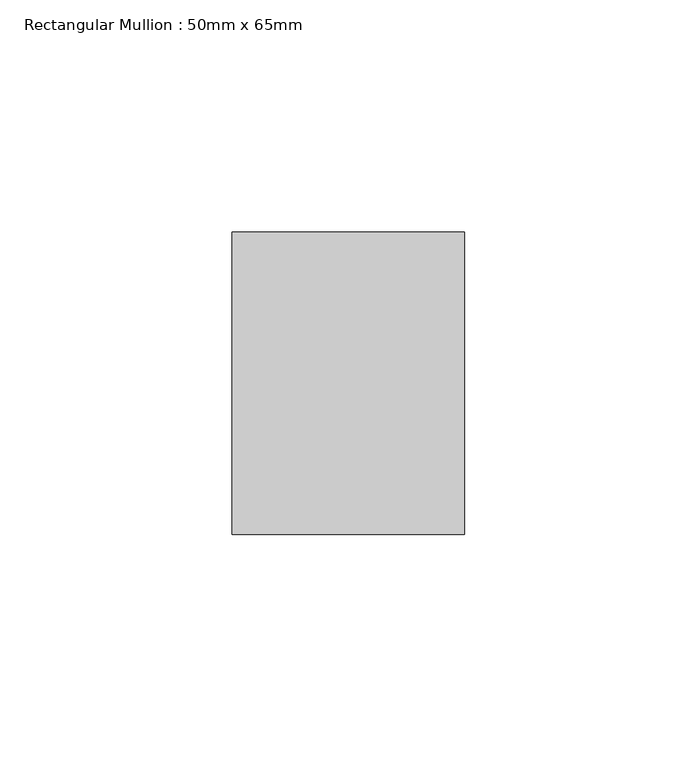
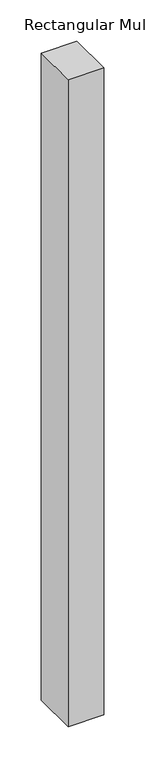
"""IFC4 building model written with IfcOpenShell, lengths in millimetres: member geometry, Rectangular Mullion : 50mm x 65mm."""

import ifcopenshell
import ifcopenshell.guid

model = None  # the IFC model being written
_history = None  # IfcOwnerHistory: only IFC2X3 demands one
_inside = {}  # id of a spatial element -> (the spatial element, [elements in it])
_under = {}  # id of a project, library or spatial element -> (it, [spatial elements below it])
_declared = {}  # id of a project -> (the project, [libraries it declares])
_typed = {}  # id of a type object -> (the type object, [elements of that type])
_made_of = {}  # id of a material, layer set ... -> (it, [elements and type objects made of it])


def new_model(schema):
    """Start an empty IFC model of exactly this schema.

    Asked for "IFC4X3", IfcOpenShell would pick the latest addendum, in which some entities
    have other attributes; the version numbers below select the first issue.
    IFC2X3 requires an IfcOwnerHistory on every rooted entity: one is made here for all.
    """
    global model, _history
    if schema == "IFC4X3":
        model = ifcopenshell.file(schema_version=(4, 3, 0, 0))
    else:
        model = ifcopenshell.file(schema=schema)
    _inside.clear()
    _under.clear()
    _declared.clear()
    _typed.clear()
    _made_of.clear()
    _history = None
    if model.schema == "IFC2X3":
        org = make("IfcOrganization", Name="unknown")
        user = make(
            "IfcPersonAndOrganization",
            ThePerson=make("IfcPerson", FamilyName="unknown"),
            TheOrganization=org,
        )
        app = make(
            "IfcApplication",
            ApplicationDeveloper=org,
            Version="unknown",
            ApplicationFullName="unknown",
            ApplicationIdentifier="unknown",
        )
        _history = make(
            "IfcOwnerHistory",
            OwningUser=user,
            OwningApplication=app,
            ChangeAction="ADDED",
            CreationDate=0,
        )
    return model


def make(cls, **values):
    """One entity of the class cls with the attributes given. An attribute that is None is left unset."""
    return model.create_entity(
        cls, **{name: value for name, value in values.items() if value is not None}
    )


def rooted(cls, **values):
    """An entity with a GlobalId (a new one), such as an element, a storey or a relation."""
    return make(cls, GlobalId=ifcopenshell.guid.new(), OwnerHistory=_history, **values)


def si_unit(unit_type, name, prefix=None):
    """IfcSIUnit, for example si_unit("LENGTHUNIT", "METRE", prefix="MILLI")."""
    return make("IfcSIUnit", UnitType=unit_type, Prefix=prefix, Name=name)


def assignment(units):
    """IfcUnitAssignment: the units of a project."""
    return None if units is None else make("IfcUnitAssignment", Units=units)


def point(xyz):
    """IfcCartesianPoint."""
    return None if xyz is None else make("IfcCartesianPoint", Coordinates=xyz)


def direction(xyz):
    """IfcDirection."""
    return None if xyz is None else make("IfcDirection", DirectionRatios=xyz)


def frame(location, z_axis=None, x_axis=None):
    """IfcAxis2Placement3D, a coordinate frame: its origin and axes. An axis left out is left unset."""
    return make(
        "IfcAxis2Placement3D",
        Location=point(location),
        Axis=direction(z_axis),
        RefDirection=direction(x_axis),
    )


def origin():
    """The frame at (0, 0, 0) with its axes left unset."""
    return frame((0.0, 0.0, 0.0))


def place(relative_to, where):
    """IfcLocalPlacement: puts the frame where relative to a parent placement (None: the world)."""
    return make(
        "IfcLocalPlacement", PlacementRelTo=relative_to, RelativePlacement=where
    )


def context(
    kind, dimensions, precision=None, world=None, true_north=None, identifier=None
):
    """IfcGeometricRepresentationContext, for example the 3D "Model" context."""
    return make(
        "IfcGeometricRepresentationContext",
        ContextIdentifier=identifier,
        ContextType=kind,
        CoordinateSpaceDimension=dimensions,
        Precision=precision,
        WorldCoordinateSystem=world,
        TrueNorth=true_north,
    )


def project(units=None, contexts=None):
    """IfcProject with its units and contexts."""
    return rooted(
        "IfcProject",
        Name="project",
        RepresentationContexts=contexts,
        UnitsInContext=assignment(units),
    )


def spatial(cls, under=None, at=None, **own):
    """A site, building, storey or space (cls), placed at a placement, below another one or the project."""
    s = rooted(cls, ObjectPlacement=at, **own)
    if under is not None:
        _under.setdefault(under.id(), (under, []))[1].append(s)
    return s


def polyline(points):
    """IfcPolyline through the points."""
    return make("IfcPolyline", Points=[point(p) for p in points])


def outline(outer, holes=None, kind="AREA"):
    """IfcArbitraryClosedProfileDef: a profile drawn as a closed curve; with holes, ...WithVoids."""
    if holes is None:
        return make("IfcArbitraryClosedProfileDef", ProfileType=kind, OuterCurve=outer)
    return make(
        "IfcArbitraryProfileDefWithVoids",
        ProfileType=kind,
        OuterCurve=outer,
        InnerCurves=holes,
    )


def extrude(swept, where, along, depth):
    """IfcExtrudedAreaSolid: the profile swept, set in the frame where, extruded along a direction by depth."""
    return make(
        "IfcExtrudedAreaSolid",
        SweptArea=swept,
        Position=where,
        ExtrudedDirection=direction(along),
        Depth=depth,
    )


def shape(context_of_items, identifier, shape_type, items):
    """IfcShapeRepresentation: the items that make up one representation, for example the "Body"."""
    return make(
        "IfcShapeRepresentation",
        ContextOfItems=context_of_items,
        RepresentationIdentifier=identifier,
        RepresentationType=shape_type,
        Items=items,
    )


def source(mapping_origin, context_of_items, identifier, shape_type, items):
    """IfcRepresentationMap: a shape defined once, which mapped items show again and again."""
    return make(
        "IfcRepresentationMap",
        MappingOrigin=mapping_origin,
        MappedRepresentation=shape(context_of_items, identifier, shape_type, items),
    )


def transform(
    local_origin,
    x_axis=None,
    y_axis=None,
    z_axis=None,
    scale=None,
    scale2=None,
    scale3=None,
    uniform=True,
):
    """IfcCartesianTransformationOperator3D, or its non-uniform kind. x_axis, y_axis, z_axis: its Axis1, 2, 3."""
    if uniform:
        return make(
            "IfcCartesianTransformationOperator3D",
            Axis1=direction(x_axis),
            Axis2=direction(y_axis),
            LocalOrigin=point(local_origin),
            Scale=scale,
            Axis3=direction(z_axis),
        )
    return make(
        "IfcCartesianTransformationOperator3DnonUniform",
        Axis1=direction(x_axis),
        Axis2=direction(y_axis),
        LocalOrigin=point(local_origin),
        Scale=scale,
        Axis3=direction(z_axis),
        Scale2=scale2,
        Scale3=scale3,
    )


def mapped(mapping_source, mapping_target):
    """IfcMappedItem: shows the shape of a source again, moved by a transform."""
    return make(
        "IfcMappedItem", MappingSource=mapping_source, MappingTarget=mapping_target
    )


def made_of(thing, what):
    """Note that an element or type object is made of a material, layer set ...; save() writes the relation."""
    if what is not None:
        _made_of.setdefault(what.id(), (what, []))[1].append(thing)
    return thing


def element(
    cls,
    number,
    at=None,
    inside=None,
    cuts=None,
    type_object=None,
    material=None,
    context=None,
    identifier="Body",
    shape_type=None,
    held_by="IfcProductDefinitionShape",
    body=None,
    shapes=None,
    **own,
):
    """One element of the class cls, such as IfcWall. Its Tag is "e" and its number.

    at: its placement. inside: the storey or other place that contains it. cuts: it is an
    opening in that element (IfcRelVoidsElement). A single representation is given by context,
    identifier, shape_type and body (its items); several are given by shapes. held_by: the class
    of the entity that holds the representations. save() writes the other relations.
    """
    e = rooted(cls, Tag="e%d" % number, ObjectPlacement=at, **own)
    if body is not None:
        shapes = [shape(context, identifier, shape_type, body)]
    if shapes is not None:
        e.Representation = make(held_by, Representations=shapes)
    if inside is not None:
        _inside.setdefault(inside.id(), (inside, []))[1].append(e)
    if cuts is not None:
        rooted(
            "IfcRelVoidsElement", RelatingBuildingElement=cuts, RelatedOpeningElement=e
        )
    if type_object is not None:
        _typed.setdefault(type_object.id(), (type_object, []))[1].append(e)
    return made_of(e, material)


def aggregate(whole, parts):
    """IfcRelAggregates: a whole, such as a stair, and the parts it consists of."""
    return rooted("IfcRelAggregates", RelatingObject=whole, RelatedObjects=parts)


def save(model, path):
    """Write the relations noted so far, then the file.

    IfcRelAggregates (storeys below a building ...), IfcRelContainedInSpatialStructure (elements
    in a storey), IfcRelDefinesByType, IfcRelAssociatesMaterial and IfcRelDeclares: one each for
    every whole, place, type object, material and project.
    """
    for whole, parts in _under.values():
        aggregate(whole, parts)
    for where, things in _inside.values():
        rooted(
            "IfcRelContainedInSpatialStructure",
            RelatedElements=things,
            RelatingStructure=where,
        )
    for kind, things in _typed.values():
        rooted("IfcRelDefinesByType", RelatedObjects=things, RelatingType=kind)
    for what, things in _made_of.values():
        rooted("IfcRelAssociatesMaterial", RelatedObjects=things, RelatingMaterial=what)
    for by, libraries in _declared.values():
        rooted("IfcRelDeclares", RelatingContext=by, RelatedDefinitions=libraries)
    model.write(path)


def rectangular_mullion_50mm_x_65mm_4260639f(model_context):
    return source(origin(), model_context, "Body", "SweptSolid", [
        extrude(outline(polyline([(25.0, 32.5), (25.0, -32.5), (-25.0, -32.5), (-25.0, 32.5), (25.0, 32.5)])), frame((0.0, 0.0, -957.7639077), z_axis=(0.0, 0.0, 1.0), x_axis=(1.0, 0.0, 0.0)), (0.0, 0.0, 1.0), 957.7639077),
    ])


if __name__ == "__main__":
    model = new_model("IFC4")
    model_context = context("Model", 3, world=origin())
    ifc_project = project(units=[si_unit("LENGTHUNIT", "METRE", prefix="MILLI")], contexts=[model_context])
    site = spatial("IfcSite", under=ifc_project)
    building = spatial("IfcBuilding", under=site)
    placement = place(None, origin())
    rectangular_mullion_50mm_x_65mm_shape = rectangular_mullion_50mm_x_65mm_4260639f(model_context)
    element("IfcMember", 1, ObjectType="Rectangular Mullion : 50mm x 65mm", at=placement, inside=building, context=model_context, shape_type="MappedRepresentation", body=[
        mapped(rectangular_mullion_50mm_x_65mm_shape, transform((0.0, 0.0, 0.0), x_axis=(1.0, 0.0, 0.0), y_axis=(0.0, 1.0, 0.0), z_axis=(0.0, 0.0, 1.0))),
    ])
    save(model, "model.ifc")
